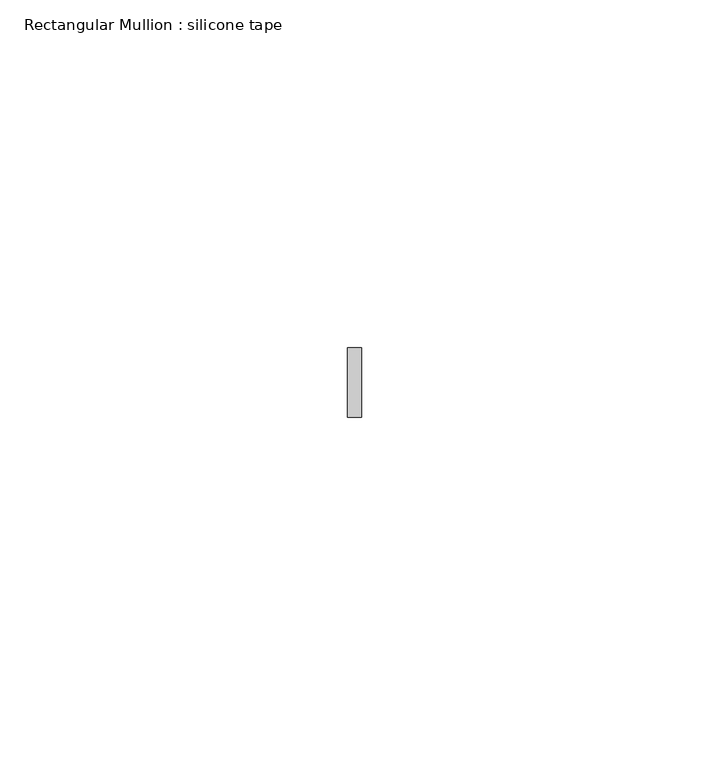
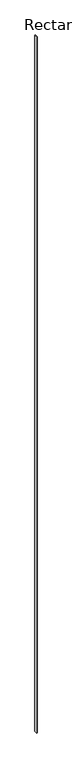
"""IFC4 building model written with IfcOpenShell, lengths in millimetres: member geometry, Rectangular Mullion : silicone tape."""

import ifcopenshell
import ifcopenshell.guid

model = None  # the IFC model being written
_history = None  # IfcOwnerHistory: only IFC2X3 demands one
_inside = {}  # id of a spatial element -> (the spatial element, [elements in it])
_under = {}  # id of a project, library or spatial element -> (it, [spatial elements below it])
_declared = {}  # id of a project -> (the project, [libraries it declares])
_typed = {}  # id of a type object -> (the type object, [elements of that type])
_made_of = {}  # id of a material, layer set ... -> (it, [elements and type objects made of it])


def new_model(schema):
    """Start an empty IFC model of exactly this schema.

    Asked for "IFC4X3", IfcOpenShell would pick the latest addendum, in which some entities
    have other attributes; the version numbers below select the first issue.
    IFC2X3 requires an IfcOwnerHistory on every rooted entity: one is made here for all.
    """
    global model, _history
    if schema == "IFC4X3":
        model = ifcopenshell.file(schema_version=(4, 3, 0, 0))
    else:
        model = ifcopenshell.file(schema=schema)
    _inside.clear()
    _under.clear()
    _declared.clear()
    _typed.clear()
    _made_of.clear()
    _history = None
    if model.schema == "IFC2X3":
        org = make("IfcOrganization", Name="unknown")
        user = make(
            "IfcPersonAndOrganization",
            ThePerson=make("IfcPerson", FamilyName="unknown"),
            TheOrganization=org,
        )
        app = make(
            "IfcApplication",
            ApplicationDeveloper=org,
            Version="unknown",
            ApplicationFullName="unknown",
            ApplicationIdentifier="unknown",
        )
        _history = make(
            "IfcOwnerHistory",
            OwningUser=user,
            OwningApplication=app,
            ChangeAction="ADDED",
            CreationDate=0,
        )
    return model


def make(cls, **values):
    """One entity of the class cls with the attributes given. An attribute that is None is left unset."""
    return model.create_entity(
        cls, **{name: value for name, value in values.items() if value is not None}
    )


def rooted(cls, **values):
    """An entity with a GlobalId (a new one), such as an element, a storey or a relation."""
    return make(cls, GlobalId=ifcopenshell.guid.new(), OwnerHistory=_history, **values)


def si_unit(unit_type, name, prefix=None):
    """IfcSIUnit, for example si_unit("LENGTHUNIT", "METRE", prefix="MILLI")."""
    return make("IfcSIUnit", UnitType=unit_type, Prefix=prefix, Name=name)


def assignment(units):
    """IfcUnitAssignment: the units of a project."""
    return None if units is None else make("IfcUnitAssignment", Units=units)


def point(xyz):
    """IfcCartesianPoint."""
    return None if xyz is None else make("IfcCartesianPoint", Coordinates=xyz)


def direction(xyz):
    """IfcDirection."""
    return None if xyz is None else make("IfcDirection", DirectionRatios=xyz)


def frame(location, z_axis=None, x_axis=None):
    """IfcAxis2Placement3D, a coordinate frame: its origin and axes. An axis left out is left unset."""
    return make(
        "IfcAxis2Placement3D",
        Location=point(location),
        Axis=direction(z_axis),
        RefDirection=direction(x_axis),
    )


def origin():
    """The frame at (0, 0, 0) with its axes left unset."""
    return frame((0.0, 0.0, 0.0))


def place(relative_to, where):
    """IfcLocalPlacement: puts the frame where relative to a parent placement (None: the world)."""
    return make(
        "IfcLocalPlacement", PlacementRelTo=relative_to, RelativePlacement=where
    )


def context(
    kind, dimensions, precision=None, world=None, true_north=None, identifier=None
):
    """IfcGeometricRepresentationContext, for example the 3D "Model" context."""
    return make(
        "IfcGeometricRepresentationContext",
        ContextIdentifier=identifier,
        ContextType=kind,
        CoordinateSpaceDimension=dimensions,
        Precision=precision,
        WorldCoordinateSystem=world,
        TrueNorth=true_north,
    )


def project(units=None, contexts=None):
    """IfcProject with its units and contexts."""
    return rooted(
        "IfcProject",
        Name="project",
        RepresentationContexts=contexts,
        UnitsInContext=assignment(units),
    )


def spatial(cls, under=None, at=None, **own):
    """A site, building, storey or space (cls), placed at a placement, below another one or the project."""
    s = rooted(cls, ObjectPlacement=at, **own)
    if under is not None:
        _under.setdefault(under.id(), (under, []))[1].append(s)
    return s


def polyline(points):
    """IfcPolyline through the points."""
    return make("IfcPolyline", Points=[point(p) for p in points])


def outline(outer, holes=None, kind="AREA"):
    """IfcArbitraryClosedProfileDef: a profile drawn as a closed curve; with holes, ...WithVoids."""
    if holes is None:
        return make("IfcArbitraryClosedProfileDef", ProfileType=kind, OuterCurve=outer)
    return make(
        "IfcArbitraryProfileDefWithVoids",
        ProfileType=kind,
        OuterCurve=outer,
        InnerCurves=holes,
    )


def extrude(swept, where, along, depth):
    """IfcExtrudedAreaSolid: the profile swept, set in the frame where, extruded along a direction by depth."""
    return make(
        "IfcExtrudedAreaSolid",
        SweptArea=swept,
        Position=where,
        ExtrudedDirection=direction(along),
        Depth=depth,
    )


def shape(context_of_items, identifier, shape_type, items):
    """IfcShapeRepresentation: the items that make up one representation, for example the "Body"."""
    return make(
        "IfcShapeRepresentation",
        ContextOfItems=context_of_items,
        RepresentationIdentifier=identifier,
        RepresentationType=shape_type,
        Items=items,
    )


def source(mapping_origin, context_of_items, identifier, shape_type, items):
    """IfcRepresentationMap: a shape defined once, which mapped items show again and again."""
    return make(
        "IfcRepresentationMap",
        MappingOrigin=mapping_origin,
        MappedRepresentation=shape(context_of_items, identifier, shape_type, items),
    )


def transform(
    local_origin,
    x_axis=None,
    y_axis=None,
    z_axis=None,
    scale=None,
    scale2=None,
    scale3=None,
    uniform=True,
):
    """IfcCartesianTransformationOperator3D, or its non-uniform kind. x_axis, y_axis, z_axis: its Axis1, 2, 3."""
    if uniform:
        return make(
            "IfcCartesianTransformationOperator3D",
            Axis1=direction(x_axis),
            Axis2=direction(y_axis),
            LocalOrigin=point(local_origin),
            Scale=scale,
            Axis3=direction(z_axis),
        )
    return make(
        "IfcCartesianTransformationOperator3DnonUniform",
        Axis1=direction(x_axis),
        Axis2=direction(y_axis),
        LocalOrigin=point(local_origin),
        Scale=scale,
        Axis3=direction(z_axis),
        Scale2=scale2,
        Scale3=scale3,
    )


def mapped(mapping_source, mapping_target):
    """IfcMappedItem: shows the shape of a source again, moved by a transform."""
    return make(
        "IfcMappedItem", MappingSource=mapping_source, MappingTarget=mapping_target
    )


def made_of(thing, what):
    """Note that an element or type object is made of a material, layer set ...; save() writes the relation."""
    if what is not None:
        _made_of.setdefault(what.id(), (what, []))[1].append(thing)
    return thing


def element(
    cls,
    number,
    at=None,
    inside=None,
    cuts=None,
    type_object=None,
    material=None,
    context=None,
    identifier="Body",
    shape_type=None,
    held_by="IfcProductDefinitionShape",
    body=None,
    shapes=None,
    **own,
):
    """One element of the class cls, such as IfcWall. Its Tag is "e" and its number.

    at: its placement. inside: the storey or other place that contains it. cuts: it is an
    opening in that element (IfcRelVoidsElement). A single representation is given by context,
    identifier, shape_type and body (its items); several are given by shapes. held_by: the class
    of the entity that holds the representations. save() writes the other relations.
    """
    e = rooted(cls, Tag="e%d" % number, ObjectPlacement=at, **own)
    if body is not None:
        shapes = [shape(context, identifier, shape_type, body)]
    if shapes is not None:
        e.Representation = make(held_by, Representations=shapes)
    if inside is not None:
        _inside.setdefault(inside.id(), (inside, []))[1].append(e)
    if cuts is not None:
        rooted(
            "IfcRelVoidsElement", RelatingBuildingElement=cuts, RelatedOpeningElement=e
        )
    if type_object is not None:
        _typed.setdefault(type_object.id(), (type_object, []))[1].append(e)
    return made_of(e, material)


def aggregate(whole, parts):
    """IfcRelAggregates: a whole, such as a stair, and the parts it consists of."""
    return rooted("IfcRelAggregates", RelatingObject=whole, RelatedObjects=parts)


def save(model, path):
    """Write the relations noted so far, then the file.

    IfcRelAggregates (storeys below a building ...), IfcRelContainedInSpatialStructure (elements
    in a storey), IfcRelDefinesByType, IfcRelAssociatesMaterial and IfcRelDeclares: one each for
    every whole, place, type object, material and project.
    """
    for whole, parts in _under.values():
        aggregate(whole, parts)
    for where, things in _inside.values():
        rooted(
            "IfcRelContainedInSpatialStructure",
            RelatedElements=things,
            RelatingStructure=where,
        )
    for kind, things in _typed.values():
        rooted("IfcRelDefinesByType", RelatedObjects=things, RelatingType=kind)
    for what, things in _made_of.values():
        rooted("IfcRelAssociatesMaterial", RelatedObjects=things, RelatingMaterial=what)
    for by, libraries in _declared.values():
        rooted("IfcRelDeclares", RelatingContext=by, RelatedDefinitions=libraries)
    model.write(path)


def rectangular_mullion_silicone_tape_ac0f2a5e(model_context):
    return source(origin(), model_context, "Body", "SweptSolid", [
        extrude(outline(polyline([(1.0, 5.0), (1.0, -5.0), (-1.0, -5.0), (-1.0, 5.0), (1.0, 5.0)])), frame((0.0, 0.0, -2640.0000015), z_axis=(0.0, 0.0, 1.0), x_axis=(1.0, 0.0, 0.0)), (0.0, 0.0, 1.0), 2640.0000015),
    ])


if __name__ == "__main__":
    model = new_model("IFC4")
    model_context = context("Model", 3, world=origin())
    ifc_project = project(units=[si_unit("LENGTHUNIT", "METRE", prefix="MILLI")], contexts=[model_context])
    site = spatial("IfcSite", under=ifc_project)
    building = spatial("IfcBuilding", under=site)
    placement = place(None, origin())
    rectangular_mullion_silicone_tape_shape = rectangular_mullion_silicone_tape_ac0f2a5e(model_context)
    element("IfcMember", 1, ObjectType="Rectangular Mullion : silicone tape", at=placement, inside=building, context=model_context, shape_type="MappedRepresentation", body=[
        mapped(rectangular_mullion_silicone_tape_shape, transform((0.0, 0.0, 0.0), x_axis=(1.0, 0.0, 0.0), y_axis=(0.0, 1.0, 0.0), z_axis=(0.0, 0.0, 1.0))),
    ])
    save(model, "model.ifc")
